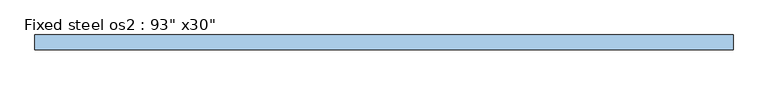
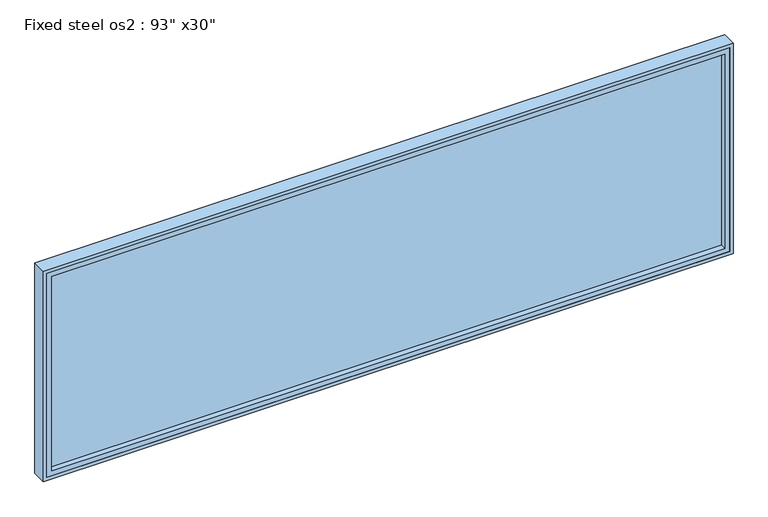
"""IFC4 building model written with IfcOpenShell, lengths in millimetres: window geometry."""

from ifc_helpers import new_model, si_unit, frame, origin, place, context, project, spatial, polyline, outline, extrude, source, transform, mapped, element, save


def window_624e784e(model_context):
    return source(origin(), model_context, "Body", "SweptSolid", [
        extrude(outline(polyline([(1114.028125, -30.95625), (-1190.228125, -30.95625), (-1190.228125, -18.25625), (1114.028125, -18.25625), (1114.028125, -30.95625)])), frame((0.0, 0.0, 333.771875), z_axis=(0.0, 0.0, 1.0), x_axis=(1.0, 0.0, 0.0)), (0.0, 0.0, 1.0), 704.05625),
        extrude(outline(polyline([(1066.8, 1143.0), (1066.8, -1219.2), (304.8, -1219.2), (304.8, 1143.0), (1066.8, 1143.0)]), holes=[polyline([(316.70625, 1131.09375), (316.70625, -1207.29375), (1054.89375, -1207.29375), (1054.89375, 1131.09375), (316.70625, 1131.09375)])]), frame((0.0, -50.8, 0.0), z_axis=(0.0, 1.0, 0.0), x_axis=(0.0, 0.0, 1.0)), (0.0, 0.0, 1.0), 50.8),
        extrude(outline(polyline([(1054.89375, -1207.29375), (316.70625, -1207.29375), (316.70625, 1131.09375), (1054.89375, 1131.09375), (1054.89375, -1207.29375)]), holes=[polyline([(1037.828125, -1190.228125), (1037.828125, 1114.028125), (333.771875, 1114.028125), (333.771875, -1190.228125), (1037.828125, -1190.228125)])]), frame((0.0, -50.8, 0.0), z_axis=(0.0, 1.0, 0.0), x_axis=(0.0, 0.0, 1.0)), (0.0, 0.0, 1.0), 50.8),
    ])


if __name__ == "__main__":
    model = new_model("IFC4")
    model_context = context("Model", 3, world=origin())
    ifc_project = project(units=[si_unit("LENGTHUNIT", "METRE", prefix="MILLI")], contexts=[model_context])
    site = spatial("IfcSite", under=ifc_project)
    building = spatial("IfcBuilding", under=site)
    placement = place(None, origin())
    window_shape = window_624e784e(model_context)
    element("IfcWindow", 1, ObjectType="Fixed steel os2 : 93\" x30\"", at=placement, inside=building, context=model_context, shape_type="MappedRepresentation", body=[
        mapped(window_shape, transform((0.0, 0.0, 0.0), x_axis=(1.0, 0.0, 0.0), y_axis=(0.0, 1.0, 0.0), z_axis=(0.0, 0.0, 1.0))),
    ])
    save(model, "model.ifc")
